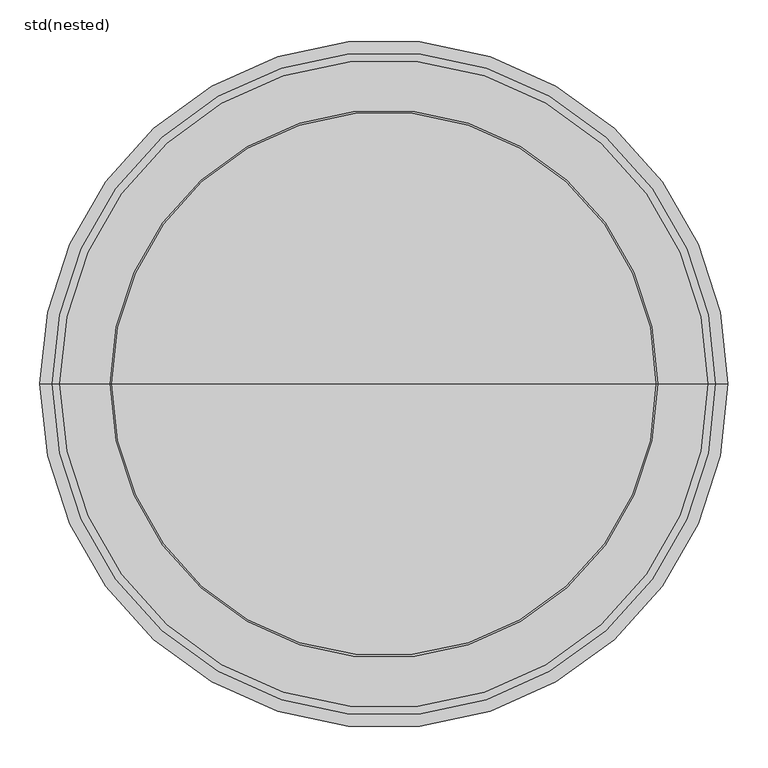
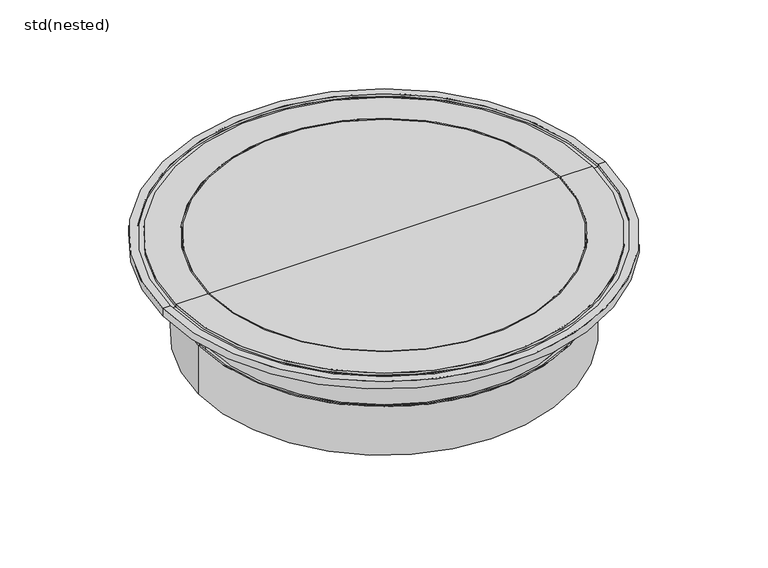
"""IFC4 building model written with IfcOpenShell, lengths in millimetres: sanitary terminal geometry, std(nested)."""

from ifc_helpers import new_model, si_unit, frame, origin, place, context, project, spatial, polyline, circle_curve, source, transform, mapped, element, save
from ifc_brep_helpers import plane_surface, cylinder_surface, revolved_surface, advanced_brep


def std_nested_cac64fc0(model_context):
    return source(origin(), model_context, "Body", "AdvancedBrep", [
        advanced_brep(
        [(302.5, 0.0, -50.0), (-302.5, 0.0, -50.0), (-340.0, 0.0, -50.0), (340.0, 0.0, -50.0), (302.5, 0.0, -94.7677946), (-302.5, 0.0, -94.7677946), (0.0, 0.0, -94.7677946), (340.0, 0.0, 0.0), (-340.0, 0.0, 0.0), (0.0, 0.0, 0.0)],
        [
            (0, 1, circle_curve(frame((0.0, 0.0, -50.0), z_axis=(0.0, 0.0, 1.0), x_axis=(-1.0, 0.0, 0.0)), 302.5)),
            (1, 2),
            (2, 3, circle_curve(frame((0.0, 0.0, -50.0), z_axis=(0.0, 0.0, -1.0), x_axis=(-1.0, 0.0, 0.0)), 340.0)),
            (3, 0),
            (1, 0, circle_curve(frame((0.0, 0.0, -50.0), z_axis=(0.0, 0.0, 1.0), x_axis=(-1.0, 0.0, 0.0)), 302.5)),
            (3, 2, circle_curve(frame((0.0, 0.0, -50.0), z_axis=(0.0, 0.0, -1.0), x_axis=(-1.0, 0.0, 0.0)), 340.0)),
            (4, 5, circle_curve(frame((0.0, 0.0, -94.7677946), z_axis=(0.0, 0.0, 1.0), x_axis=(-1.0, 0.0, 0.0)), 302.5)),
            (5, 1),
            (0, 4),
            (5, 4, circle_curve(frame((0.0, 0.0, -94.7677946), z_axis=(0.0, 0.0, 1.0), x_axis=(-1.0, 0.0, 0.0)), 302.5)),
            (6, 5),
            (4, 6),
            (7, 8, circle_curve(frame((0.0, 0.0, 0.0), z_axis=(0.0, 0.0, 1.0), x_axis=(-1.0, 0.0, 0.0)), 340.0)),
            (8, 9),
            (9, 7),
            (8, 7, circle_curve(frame((0.0, 0.0, 0.0), z_axis=(0.0, 0.0, 1.0), x_axis=(-1.0, 0.0, 0.0)), 340.0)),
            (2, 8),
            (7, 3),
        ],
        [
            plane_surface(frame((0.0, 0.0, -50.0), z_axis=(0.0, 0.0, -1.0), x_axis=(-1.0, 0.0, 0.0))),
            cylinder_surface(frame((0.0, 0.0, 280.0), z_axis=(0.0, 0.0, -1.0), x_axis=(-1.0, 0.0, 0.0)), 302.5),
            plane_surface(frame((0.0, 0.0, -94.7677946), z_axis=(0.0, 0.0, -1.0), x_axis=(-1.0, 0.0, 0.0))),
            plane_surface(frame((0.0, 0.0, 0.0), z_axis=(0.0, 0.0, 1.0), x_axis=(-1.0, 0.0, 0.0))),
            cylinder_surface(frame((0.0, 0.0, 280.0), z_axis=(0.0, 0.0, -1.0), x_axis=(-1.0, 0.0, 0.0)), 340.0),
        ],
        [
            (0, [[1, 2, 3, 4]]),
            (0, [[5, -4, 6, -2]]),
            (1, [[7, 8, -1, 9]]),
            (1, [[10, -9, -5, -8]]),
            (2, [[11, -7, 12]]),
            (2, [[-12, -10, -11]]),
            (3, [[13, 14, 15]]),
            (3, [[16, -15, -14]]),
            (4, [[-3, 17, -13, 18]]),
            (4, [[-6, -18, -16, -17]]),
        ],
    ),
        advanced_brep(
        [(360.5, 0.0, -200.0), (-360.5, 0.0, -200.0), (-360.5, 0.0, -100.0), (360.5, 0.0, -100.0), (354.0, 0.0, -200.0), (-354.0, 0.0, -200.0), (354.0, 0.0, -114.5186602), (-354.0, 0.0, -114.5186602), (358.0133052, 0.0, -100.0), (-358.0133052, 0.0, -100.0)],
        [
            (0, 1, circle_curve(frame((0.0, 0.0, -200.0), z_axis=(0.0, 0.0, 1.0), x_axis=(-1.0, 0.0, 0.0)), 360.5)),
            (1, 2),
            (2, 3, circle_curve(frame((0.0, 0.0, -100.0), z_axis=(0.0, 0.0, -1.0), x_axis=(-1.0, 0.0, 0.0)), 360.5)),
            (3, 0),
            (1, 0, circle_curve(frame((0.0, 0.0, -200.0), z_axis=(0.0, 0.0, 1.0), x_axis=(-1.0, 0.0, 0.0)), 360.5)),
            (3, 2, circle_curve(frame((0.0, 0.0, -100.0), z_axis=(0.0, 0.0, -1.0), x_axis=(-1.0, 0.0, 0.0)), 360.5)),
            (4, 5, circle_curve(frame((0.0, 0.0, -200.0), z_axis=(0.0, 0.0, 1.0), x_axis=(-1.0, 0.0, 0.0)), 354.0)),
            (5, 1),
            (0, 4),
            (5, 4, circle_curve(frame((0.0, 0.0, -200.0), z_axis=(0.0, 0.0, 1.0), x_axis=(-1.0, 0.0, 0.0)), 354.0)),
            (6, 7, circle_curve(frame((0.0, 0.0, -114.5186602), z_axis=(0.0, 0.0, 1.0), x_axis=(-1.0, 0.0, 0.0)), 354.0)),
            (7, 5),
            (4, 6),
            (7, 6, circle_curve(frame((0.0, 0.0, -114.5186602), z_axis=(0.0, 0.0, 1.0), x_axis=(-1.0, 0.0, 0.0)), 354.0)),
            (8, 9, circle_curve(frame((0.0, 0.0, -100.0), z_axis=(0.0, 0.0, 1.0), x_axis=(-1.0, 0.0, 0.0)), 358.0133052)),
            (9, 7),
            (6, 8),
            (9, 8, circle_curve(frame((0.0, 0.0, -100.0), z_axis=(0.0, 0.0, 1.0), x_axis=(-1.0, 0.0, 0.0)), 358.0133052)),
            (2, 9),
            (8, 3),
        ],
        [
            cylinder_surface(frame((0.0, 0.0, 389.5186602), z_axis=(0.0, 0.0, -1.0), x_axis=(-1.0, 0.0, 0.0)), 360.5),
            plane_surface(frame((0.0, 0.0, -200.0), z_axis=(0.0, 0.0, -1.0), x_axis=(-1.0, 0.0, 0.0))),
            revolved_surface(polyline([(-354.0, 0.0, -200.0), (-354.0, 0.0, -114.5186602)]), (0.0, 0.0, 389.5186602), (0.0, 0.0, -1.0)),
            revolved_surface(polyline([(-354.0, 0.0, -114.5186602), (-358.0133052, 0.0, -100.0)]), (0.0, 0.0, 389.5186602), (0.0, 0.0, -1.0)),
            plane_surface(frame((0.0, 0.0, -100.0), z_axis=(0.0, 0.0, 1.0), x_axis=(-1.0, 0.0, 0.0))),
        ],
        [
            (0, [[1, 2, 3, 4]]),
            (0, [[5, -4, 6, -2]]),
            (1, [[7, 8, -1, 9]]),
            (1, [[10, -9, -5, -8]]),
            (2, [[11, 12, -7, 13]]),
            (2, [[14, -13, -10, -12]]),
            (3, [[15, 16, -11, 17]]),
            (3, [[18, -17, -14, -16]]),
            (4, [[-3, 19, -15, 20]]),
            (4, [[-6, -20, -18, -19]]),
        ],
    ),
        advanced_brep(
        [(430.0, 0.0, 0.0), (-430.0, 0.0, 0.0), (-415.0, 0.0, 0.0), (415.0, 0.0, 0.0), (430.0, 0.0, -15.0), (-430.0, 0.0, -15.0), (352.7230242, 0.0, -15.0), (-352.7230242, 0.0, -15.0), (352.7230242, 0.0, -35.6814835), (-352.7230242, 0.0, -35.6814835), (347.5, 0.0, -105.0), (-347.5, 0.0, -105.0), (347.5, 0.0, -160.0), (-347.5, 0.0, -160.0), (339.0, 0.0, -160.0), (-339.0, 0.0, -160.0), (339.0, 0.0, -43.0), (-339.0, 0.0, -43.0), (303.6522733, 0.0, -43.0), (-303.6522733, 0.0, -43.0), (303.6522733, 0.0, -22.0), (-303.6522733, 0.0, -22.0), (316.4314699, 0.0, -22.0), (-316.4314699, 0.0, -22.0), (316.4314699, 0.0, -30.0), (-316.4314699, 0.0, -30.0), (342.7, 0.0, -30.0), (-342.7, 0.0, -30.0), (342.7, 0.0, 0.0), (-342.7, 0.0, 0.0), (405.0, 0.0, 0.0), (-405.0, 0.0, 0.0), (405.0, 0.0, -5.0), (-405.0, 0.0, -5.0), (415.0, 0.0, -5.0), (-415.0, 0.0, -5.0)],
        [
            (0, 1, circle_curve(frame((0.0, 0.0, 0.0), z_axis=(0.0, 0.0, 1.0), x_axis=(-1.0, 0.0, 0.0)), 430.0)),
            (1, 2),
            (2, 3, circle_curve(frame((0.0, 0.0, 0.0), z_axis=(0.0, 0.0, -1.0), x_axis=(-1.0, 0.0, 0.0)), 415.0)),
            (3, 0),
            (1, 0, circle_curve(frame((0.0, 0.0, 0.0), z_axis=(0.0, 0.0, 1.0), x_axis=(-1.0, 0.0, 0.0)), 430.0)),
            (3, 2, circle_curve(frame((0.0, 0.0, 0.0), z_axis=(0.0, 0.0, -1.0), x_axis=(-1.0, 0.0, 0.0)), 415.0)),
            (4, 5, circle_curve(frame((0.0, 0.0, -15.0), z_axis=(0.0, 0.0, 1.0), x_axis=(-1.0, 0.0, 0.0)), 430.0)),
            (5, 1),
            (0, 4),
            (5, 4, circle_curve(frame((0.0, 0.0, -15.0), z_axis=(0.0, 0.0, 1.0), x_axis=(-1.0, 0.0, 0.0)), 430.0)),
            (6, 7, circle_curve(frame((0.0, 0.0, -15.0), z_axis=(0.0, 0.0, 1.0), x_axis=(-1.0, 0.0, 0.0)), 352.7230242)),
            (7, 5),
            (4, 6),
            (7, 6, circle_curve(frame((0.0, 0.0, -15.0), z_axis=(0.0, 0.0, 1.0), x_axis=(-1.0, 0.0, 0.0)), 352.7230242)),
            (8, 9, circle_curve(frame((0.0, 0.0, -35.6814835), z_axis=(0.0, 0.0, 1.0), x_axis=(-1.0, 0.0, 0.0)), 352.7230242)),
            (9, 7),
            (6, 8),
            (9, 8, circle_curve(frame((0.0, 0.0, -35.6814835), z_axis=(0.0, 0.0, 1.0), x_axis=(-1.0, 0.0, 0.0)), 352.7230242)),
            (10, 11, circle_curve(frame((0.0, 0.0, -105.0), z_axis=(0.0, 0.0, 1.0), x_axis=(-1.0, 0.0, 0.0)), 347.5)),
            (11, 9),
            (8, 10),
            (11, 10, circle_curve(frame((0.0, 0.0, -105.0), z_axis=(0.0, 0.0, 1.0), x_axis=(-1.0, 0.0, 0.0)), 347.5)),
            (12, 13, circle_curve(frame((0.0, 0.0, -160.0), z_axis=(0.0, 0.0, 1.0), x_axis=(-1.0, 0.0, 0.0)), 347.5)),
            (13, 11),
            (10, 12),
            (13, 12, circle_curve(frame((0.0, 0.0, -160.0), z_axis=(0.0, 0.0, 1.0), x_axis=(-1.0, 0.0, 0.0)), 347.5)),
            (14, 15, circle_curve(frame((0.0, 0.0, -160.0), z_axis=(0.0, 0.0, 1.0), x_axis=(-1.0, 0.0, 0.0)), 339.0)),
            (15, 13),
            (12, 14),
            (15, 14, circle_curve(frame((0.0, 0.0, -160.0), z_axis=(0.0, 0.0, 1.0), x_axis=(-1.0, 0.0, 0.0)), 339.0)),
            (16, 17, circle_curve(frame((0.0, 0.0, -43.0), z_axis=(0.0, 0.0, 1.0), x_axis=(-1.0, 0.0, 0.0)), 339.0)),
            (17, 15),
            (14, 16),
            (17, 16, circle_curve(frame((0.0, 0.0, -43.0), z_axis=(0.0, 0.0, 1.0), x_axis=(-1.0, 0.0, 0.0)), 339.0)),
            (18, 19, circle_curve(frame((0.0, 0.0, -43.0), z_axis=(0.0, 0.0, 1.0), x_axis=(-1.0, 0.0, 0.0)), 303.6522733)),
            (19, 17),
            (16, 18),
            (19, 18, circle_curve(frame((0.0, 0.0, -43.0), z_axis=(0.0, 0.0, 1.0), x_axis=(-1.0, 0.0, 0.0)), 303.6522733)),
            (20, 21, circle_curve(frame((0.0, 0.0, -22.0), z_axis=(0.0, 0.0, 1.0), x_axis=(-1.0, 0.0, 0.0)), 303.6522733)),
            (21, 19),
            (18, 20),
            (21, 20, circle_curve(frame((0.0, 0.0, -22.0), z_axis=(0.0, 0.0, 1.0), x_axis=(-1.0, 0.0, 0.0)), 303.6522733)),
            (22, 23, circle_curve(frame((0.0, 0.0, -22.0), z_axis=(0.0, 0.0, 1.0), x_axis=(-1.0, 0.0, 0.0)), 316.4314699)),
            (23, 21),
            (20, 22),
            (23, 22, circle_curve(frame((0.0, 0.0, -22.0), z_axis=(0.0, 0.0, 1.0), x_axis=(-1.0, 0.0, 0.0)), 316.4314699)),
            (24, 25, circle_curve(frame((0.0, 0.0, -30.0), z_axis=(0.0, 0.0, 1.0), x_axis=(-1.0, 0.0, 0.0)), 316.4314699)),
            (25, 23),
            (22, 24),
            (25, 24, circle_curve(frame((0.0, 0.0, -30.0), z_axis=(0.0, 0.0, 1.0), x_axis=(-1.0, 0.0, 0.0)), 316.4314699)),
            (26, 27, circle_curve(frame((0.0, 0.0, -30.0), z_axis=(0.0, 0.0, 1.0), x_axis=(-1.0, 0.0, 0.0)), 342.7)),
            (27, 25),
            (24, 26),
            (27, 26, circle_curve(frame((0.0, 0.0, -30.0), z_axis=(0.0, 0.0, 1.0), x_axis=(-1.0, 0.0, 0.0)), 342.7)),
            (28, 29, circle_curve(frame((0.0, 0.0, 0.0), z_axis=(0.0, 0.0, 1.0), x_axis=(-1.0, 0.0, 0.0)), 342.7)),
            (29, 27),
            (26, 28),
            (29, 28, circle_curve(frame((0.0, 0.0, 0.0), z_axis=(0.0, 0.0, 1.0), x_axis=(-1.0, 0.0, 0.0)), 342.7)),
            (30, 31, circle_curve(frame((0.0, 0.0, 0.0), z_axis=(0.0, 0.0, 1.0), x_axis=(-1.0, 0.0, 0.0)), 405.0)),
            (31, 29),
            (28, 30),
            (31, 30, circle_curve(frame((0.0, 0.0, 0.0), z_axis=(0.0, 0.0, 1.0), x_axis=(-1.0, 0.0, 0.0)), 405.0)),
            (32, 33, circle_curve(frame((0.0, 0.0, -5.0), z_axis=(0.0, 0.0, 1.0), x_axis=(-1.0, 0.0, 0.0)), 405.0)),
            (33, 31),
            (30, 32),
            (33, 32, circle_curve(frame((0.0, 0.0, -5.0), z_axis=(0.0, 0.0, 1.0), x_axis=(-1.0, 0.0, 0.0)), 405.0)),
            (34, 35, circle_curve(frame((0.0, 0.0, -5.0), z_axis=(0.0, 0.0, 1.0), x_axis=(-1.0, 0.0, 0.0)), 415.0)),
            (35, 33),
            (32, 34),
            (35, 34, circle_curve(frame((0.0, 0.0, -5.0), z_axis=(0.0, 0.0, 1.0), x_axis=(-1.0, 0.0, 0.0)), 415.0)),
            (2, 35),
            (34, 3),
        ],
        [
            plane_surface(frame((0.0, 0.0, 0.0), z_axis=(0.0, 0.0, 1.0), x_axis=(-1.0, 0.0, 0.0))),
            cylinder_surface(frame((0.0, 0.0, 220.0), z_axis=(0.0, 0.0, -1.0), x_axis=(-1.0, 0.0, 0.0)), 430.0),
            plane_surface(frame((0.0, 0.0, -15.0), z_axis=(0.0, 0.0, -1.0), x_axis=(-1.0, 0.0, 0.0))),
            cylinder_surface(frame((0.0, 0.0, 220.0), z_axis=(0.0, 0.0, -1.0), x_axis=(-1.0, 0.0, 0.0)), 352.7230242),
            revolved_surface(polyline([(-352.7230242, 0.0, -35.6814835), (-347.5, 0.0, -105.0)]), (0.0, 0.0, 220.0), (0.0, 0.0, -1.0)),
            cylinder_surface(frame((0.0, 0.0, 220.0), z_axis=(0.0, 0.0, -1.0), x_axis=(-1.0, 0.0, 0.0)), 347.5),
            plane_surface(frame((0.0, 0.0, -160.0), z_axis=(0.0, 0.0, -1.0), x_axis=(-1.0, 0.0, 0.0))),
            revolved_surface(polyline([(-339.0, 0.0, -160.0), (-339.0, 0.0, -43.0)]), (0.0, 0.0, 220.0), (0.0, 0.0, -1.0)),
            plane_surface(frame((0.0, 0.0, -43.0), z_axis=(0.0, 0.0, -1.0), x_axis=(-1.0, 0.0, 0.0))),
            revolved_surface(polyline([(-303.6522733, 0.0, -43.0), (-303.6522733, 0.0, -22.0)]), (0.0, 0.0, 220.0), (0.0, 0.0, -1.0)),
            plane_surface(frame((0.0, 0.0, -22.0), z_axis=(0.0, 0.0, 1.0), x_axis=(-1.0, 0.0, 0.0))),
            cylinder_surface(frame((0.0, 0.0, 220.0), z_axis=(0.0, 0.0, -1.0), x_axis=(-1.0, 0.0, 0.0)), 316.4314699),
            plane_surface(frame((0.0, 0.0, -30.0), z_axis=(0.0, 0.0, 1.0), x_axis=(-1.0, 0.0, 0.0))),
            revolved_surface(polyline([(-342.7, 0.0, -30.0), (-342.7, 0.0, 0.0)]), (0.0, 0.0, 220.0), (0.0, 0.0, -1.0)),
            cylinder_surface(frame((0.0, 0.0, 220.0), z_axis=(0.0, 0.0, -1.0), x_axis=(-1.0, 0.0, 0.0)), 405.0),
            plane_surface(frame((0.0, 0.0, -5.0), z_axis=(0.0, 0.0, 1.0), x_axis=(-1.0, 0.0, 0.0))),
            revolved_surface(polyline([(-415.0, 0.0, -5.0), (-415.0, 0.0, 0.0)]), (0.0, 0.0, 220.0), (0.0, 0.0, -1.0)),
        ],
        [
            (0, [[1, 2, 3, 4]]),
            (0, [[5, -4, 6, -2]]),
            (1, [[7, 8, -1, 9]]),
            (1, [[10, -9, -5, -8]]),
            (2, [[11, 12, -7, 13]]),
            (2, [[14, -13, -10, -12]]),
            (3, [[15, 16, -11, 17]]),
            (3, [[18, -17, -14, -16]]),
            (4, [[19, 20, -15, 21]]),
            (4, [[22, -21, -18, -20]]),
            (5, [[23, 24, -19, 25]]),
            (5, [[26, -25, -22, -24]]),
            (6, [[27, 28, -23, 29]]),
            (6, [[30, -29, -26, -28]]),
            (7, [[31, 32, -27, 33]]),
            (7, [[34, -33, -30, -32]]),
            (8, [[35, 36, -31, 37]]),
            (8, [[38, -37, -34, -36]]),
            (9, [[39, 40, -35, 41]]),
            (9, [[42, -41, -38, -40]]),
            (10, [[43, 44, -39, 45]]),
            (10, [[46, -45, -42, -44]]),
            (11, [[47, 48, -43, 49]]),
            (11, [[50, -49, -46, -48]]),
            (12, [[51, 52, -47, 53]]),
            (12, [[54, -53, -50, -52]]),
            (13, [[55, 56, -51, 57]]),
            (13, [[58, -57, -54, -56]]),
            (0, [[59, 60, -55, 61]]),
            (0, [[62, -61, -58, -60]]),
            (14, [[63, 64, -59, 65]]),
            (14, [[66, -65, -62, -64]]),
            (15, [[67, 68, -63, 69]]),
            (15, [[70, -69, -66, -68]]),
            (16, [[-3, 71, -67, 72]]),
            (16, [[-6, -72, -70, -71]]),
        ],
    ),
    ])


if __name__ == "__main__":
    model = new_model("IFC4")
    model_context = context("Model", 3, world=origin())
    ifc_project = project(units=[si_unit("LENGTHUNIT", "METRE", prefix="MILLI")], contexts=[model_context])
    site = spatial("IfcSite", under=ifc_project)
    building = spatial("IfcBuilding", under=site)
    placement = place(None, origin())
    std_nested_shape = std_nested_cac64fc0(model_context)
    element("IfcSanitaryTerminal", 1, ObjectType="std(nested)", at=placement, inside=building, context=model_context, shape_type="MappedRepresentation", body=[
        mapped(std_nested_shape, transform((0.0, 0.0, 0.0), x_axis=(1.0, 0.0, 0.0), y_axis=(0.0, 1.0, 0.0), z_axis=(0.0, 0.0, 1.0))),
    ])
    save(model, "model.ifc")
